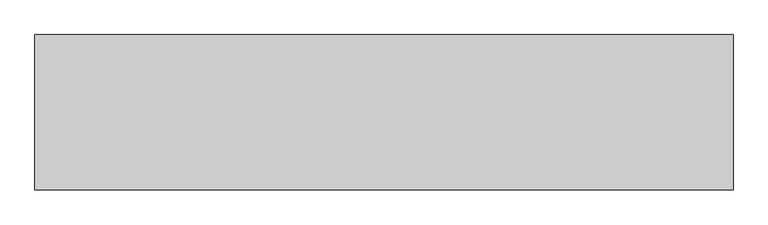
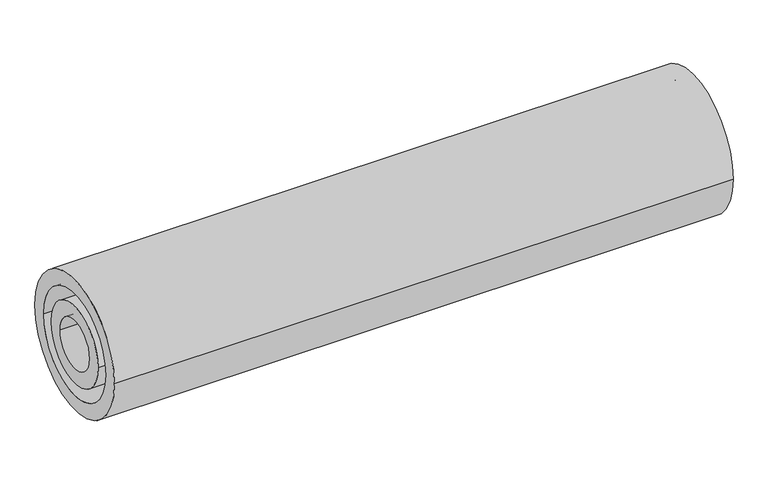
"""IFC4 building model written with IfcOpenShell, lengths in millimetres: proxy geometry."""

from ifc_helpers import new_model, si_unit, point, frame, origin, origin_2d, place, context, project, spatial, circle_curve, trimmed, segment, composite_curve, outline, extrude, source, transform, mapped, element, save


def generic_models_0a8c935d(model_context):
    return source(origin(), model_context, "Body", "SweptSolid", [
        extrude(outline(composite_curve([segment(trimmed(circle_curve(origin_2d(), 225.0), [point((-225.0, 0.0))], [point((225.0, 0.0))], False, "CARTESIAN"), True, "CONTINUOUS"), segment(trimmed(circle_curve(origin_2d(), 225.0), [point((225.0, 0.0))], [point((-225.0, 0.0))], False, "CARTESIAN"), True, "CONTINUOUS")], self_intersect=False), holes=[composite_curve([segment(trimmed(circle_curve(origin_2d(), 175.0), [point((-175.0, 0.0))], [point((175.0, 0.0))], True, "CARTESIAN"), True, "CONTINUOUS"), segment(trimmed(circle_curve(origin_2d(), 175.0), [point((175.0, 0.0))], [point((-175.0, 0.0))], True, "CARTESIAN"), True, "CONTINUOUS")], self_intersect=False)]), frame((-1010.6635513, 0.0, 0.0), z_axis=(1.0, 0.0, 0.0), x_axis=(0.0, 1.0, 0.0)), (0.0, 0.0, 1.0), 2021.3271026),
        extrude(outline(composite_curve([segment(trimmed(circle_curve(origin_2d(), 132.7025369), [point((-132.7025369, 0.0))], [point((132.7025369, 0.0))], False, "CARTESIAN"), True, "CONTINUOUS"), segment(trimmed(circle_curve(origin_2d(), 132.7025369), [point((132.7025369, 0.0))], [point((-132.7025369, 0.0))], False, "CARTESIAN"), True, "CONTINUOUS")], self_intersect=False), holes=[composite_curve([segment(trimmed(circle_curve(origin_2d(), 82.7025369), [point((-82.7025369, 0.0))], [point((82.7025369, 0.0))], True, "CARTESIAN"), True, "CONTINUOUS"), segment(trimmed(circle_curve(origin_2d(), 82.7025369), [point((82.7025369, 0.0))], [point((-82.7025369, 0.0))], True, "CARTESIAN"), True, "CONTINUOUS")], self_intersect=False)]), frame((-1010.6635513, 0.0, 0.0), z_axis=(1.0, 0.0, 0.0), x_axis=(0.0, 1.0, 0.0)), (0.0, 0.0, 1.0), 2021.3271026),
    ])


if __name__ == "__main__":
    model = new_model("IFC4")
    model_context = context("Model", 3, world=origin())
    ifc_project = project(units=[si_unit("LENGTHUNIT", "METRE", prefix="MILLI")], contexts=[model_context])
    site = spatial("IfcSite", under=ifc_project)
    building = spatial("IfcBuilding", under=site)
    placement = place(None, origin())
    generic_models_shape = generic_models_0a8c935d(model_context)
    element("IfcBuildingElementProxy", 1, Name="Generic Models", at=placement, inside=building, context=model_context, shape_type="MappedRepresentation", body=[
        mapped(generic_models_shape, transform((0.0, 0.0, 0.0), x_axis=(1.0, 0.0, 0.0), y_axis=(0.0, 1.0, 0.0), z_axis=(0.0, 0.0, 1.0))),
    ])
    save(model, "model.ifc")
